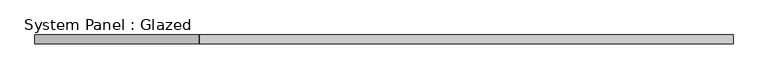
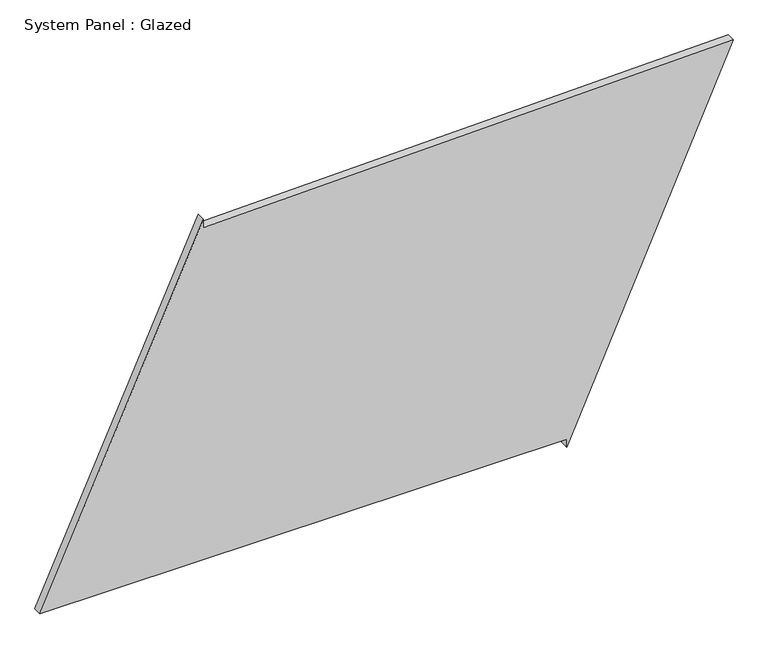
"""IFC4 building model written with IfcOpenShell, lengths in millimetres: plate geometry, System Panel : Glazed."""

from ifc_helpers import new_model, si_unit, frame, origin, place, context, project, spatial, polyline, outline, extrude, source, transform, mapped, element, save


def system_panel_glazed_948ed2bf(model_context):
    return source(origin(), model_context, "Body", "SweptSolid", [
        extrude(outline(polyline([(25.0, 513.0802426), (0.0, 513.0802426), (1059.99345, 985.8123246), (1023.0282214, -520.9170368), (1048.0207011, -521.5301879), (25.0, -985.8123246), (25.0, 513.0802426)])), frame((0.0, -49.5, 0.0), z_axis=(0.0, 1.0, 0.0), x_axis=(0.0, 0.0, 1.0)), (0.0, 0.0, 1.0), 25.0),
    ])


if __name__ == "__main__":
    model = new_model("IFC4")
    model_context = context("Model", 3, world=origin())
    ifc_project = project(units=[si_unit("LENGTHUNIT", "METRE", prefix="MILLI")], contexts=[model_context])
    site = spatial("IfcSite", under=ifc_project)
    building = spatial("IfcBuilding", under=site)
    placement = place(None, origin())
    system_panel_glazed_shape = system_panel_glazed_948ed2bf(model_context)
    element("IfcPlate", 1, ObjectType="System Panel : Glazed", at=placement, inside=building, context=model_context, shape_type="MappedRepresentation", body=[
        mapped(system_panel_glazed_shape, transform((0.0, 0.0, 0.0), x_axis=(1.0, 0.0, 0.0), y_axis=(0.0, 1.0, 0.0), z_axis=(0.0, 0.0, 1.0))),
    ])
    save(model, "model.ifc")
